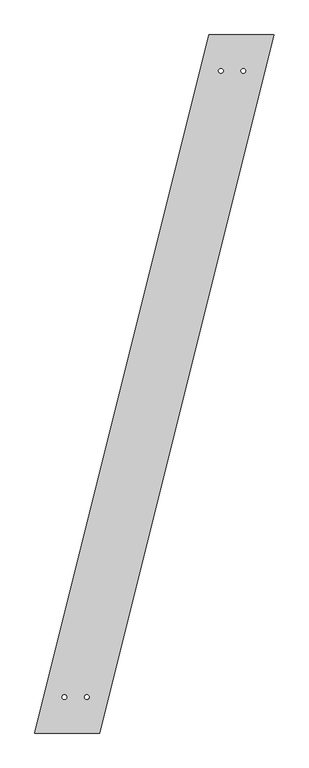
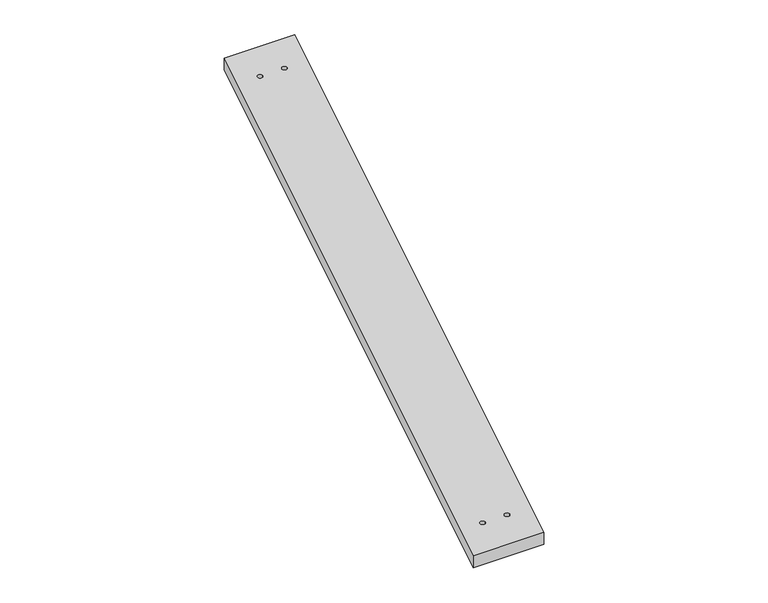
"""IFC4 building model written with IfcOpenShell, lengths in millimetres: proxy geometry."""

from ifc_helpers import new_model, si_unit, point, frame_2d, origin, origin_with_axes, place, context, project, spatial, polyline, circle_curve, trimmed, segment, composite_curve, outline, extrude, source, transform, mapped, element, save


def generic_models_1ca9560a(model_context):
    return source(origin(), model_context, "Body", "SweptSolid", [
        extrude(outline(polyline([(750.4828454, 3007.7858133), (1030.4828454, 3007.7858133), (280.0, 0.0), (0.0, 0.0), (750.4828454, 3007.7858133)]), holes=[composite_curve([segment(trimmed(circle_curve(frame_2d((802.7072882, 2852.7858133)), 10.0), [point((792.7072882, 2852.7858133))], [point((812.7072882, 2852.7858133))], True, "CARTESIAN"), True, "CONTINUOUS"), segment(trimmed(circle_curve(frame_2d((802.7072882, 2852.7858133)), 10.0), [point((812.7072882, 2852.7858133))], [point((792.7072882, 2852.7858133))], True, "CARTESIAN"), True, "CONTINUOUS")], self_intersect=False), composite_curve([segment(trimmed(circle_curve(frame_2d((899.4345609, 2852.7858133)), 10.0), [point((889.4345609, 2852.7858133))], [point((909.4345609, 2852.7858133))], True, "CARTESIAN"), True, "CONTINUOUS"), segment(trimmed(circle_curve(frame_2d((899.4345609, 2852.7858133)), 10.0), [point((909.4345609, 2852.7858133))], [point((889.4345609, 2852.7858133))], True, "CARTESIAN"), True, "CONTINUOUS")], self_intersect=False), composite_curve([segment(trimmed(circle_curve(frame_2d((127.2727273, 155.0)), 10.0), [point((117.2727273, 155.0))], [point((137.2727273, 155.0))], True, "CARTESIAN"), True, "CONTINUOUS"), segment(trimmed(circle_curve(frame_2d((127.2727273, 155.0)), 10.0), [point((137.2727273, 155.0))], [point((117.2727273, 155.0))], True, "CARTESIAN"), True, "CONTINUOUS")], self_intersect=False), composite_curve([segment(trimmed(circle_curve(frame_2d((224.0, 155.0)), 10.0), [point((214.0, 155.0))], [point((234.0, 155.0))], True, "CARTESIAN"), True, "CONTINUOUS"), segment(trimmed(circle_curve(frame_2d((224.0, 155.0)), 10.0), [point((234.0, 155.0))], [point((214.0, 155.0))], True, "CARTESIAN"), True, "CONTINUOUS")], self_intersect=False)]), origin_with_axes(), (0.0, 0.0, 1.0), 50.0),
    ])


if __name__ == "__main__":
    model = new_model("IFC4")
    model_context = context("Model", 3, world=origin())
    ifc_project = project(units=[si_unit("LENGTHUNIT", "METRE", prefix="MILLI")], contexts=[model_context])
    site = spatial("IfcSite", under=ifc_project)
    building = spatial("IfcBuilding", under=site)
    placement = place(None, origin())
    generic_models_shape = generic_models_1ca9560a(model_context)
    element("IfcBuildingElementProxy", 1, Name="Generic Models", at=placement, inside=building, context=model_context, shape_type="MappedRepresentation", body=[
        mapped(generic_models_shape, transform((0.0, 0.0, 0.0), x_axis=(1.0, 0.0, 0.0), y_axis=(0.0, 1.0, 0.0), z_axis=(0.0, 0.0, 1.0))),
    ])
    save(model, "model.ifc")
